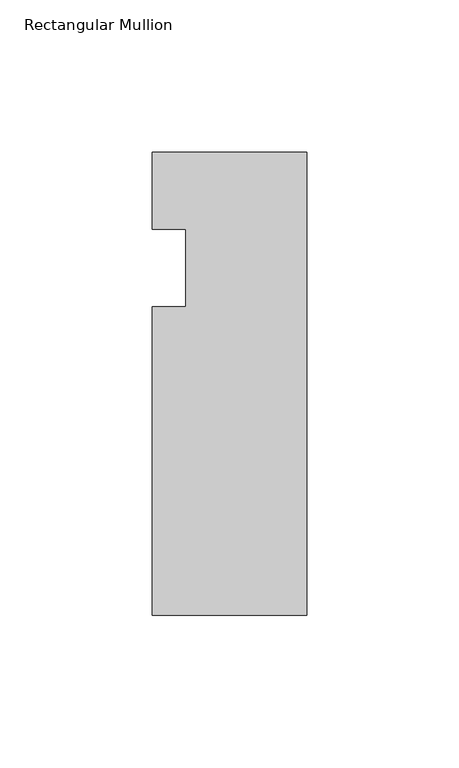
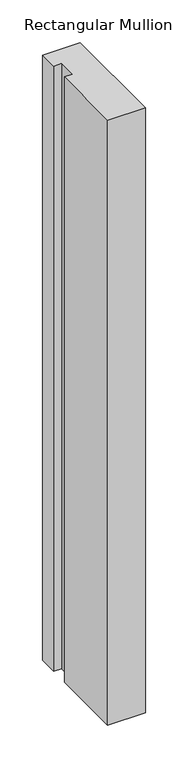
"""IFC4 building model written with IfcOpenShell, lengths in millimetres: member geometry, Rectangular Mullion."""

from ifc_helpers import new_model, si_unit, frame, origin, place, context, project, spatial, polyline, outline, extrude, source, transform, mapped, element, save


def rectangular_mullion_d03281a0(model_context):
    return source(origin(), model_context, "Body", "SweptSolid", [
        extrude(outline(polyline([(0.0, 0.0), (0.0, -152.4), (-50.8, -152.4), (-50.8, -50.8), (-39.798625, -50.8), (-39.798625, -25.4), (-50.8, -25.4), (-50.8, 0.0), (0.0, 0.0)])), frame((0.0, 0.0, -863.5998097), z_axis=(0.0, 0.0, 1.0), x_axis=(1.0, 0.0, 0.0)), (0.0, 0.0, 1.0), 863.5998097),
    ])


if __name__ == "__main__":
    model = new_model("IFC4")
    model_context = context("Model", 3, world=origin())
    ifc_project = project(units=[si_unit("LENGTHUNIT", "METRE", prefix="MILLI")], contexts=[model_context])
    site = spatial("IfcSite", under=ifc_project)
    building = spatial("IfcBuilding", under=site)
    placement = place(None, origin())
    rectangular_mullion_shape = rectangular_mullion_d03281a0(model_context)
    element("IfcMember", 1, ObjectType="Rectangular Mullion", at=placement, inside=building, context=model_context, shape_type="MappedRepresentation", body=[
        mapped(rectangular_mullion_shape, transform((0.0, 0.0, 0.0), x_axis=(1.0, 0.0, 0.0), y_axis=(0.0, 1.0, 0.0), z_axis=(0.0, 0.0, 1.0))),
    ])
    save(model, "model.ifc")
